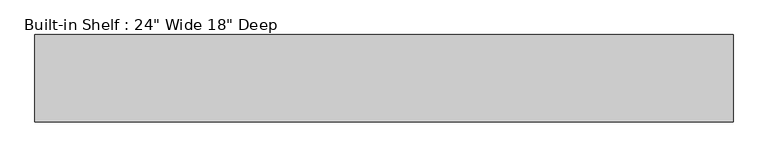
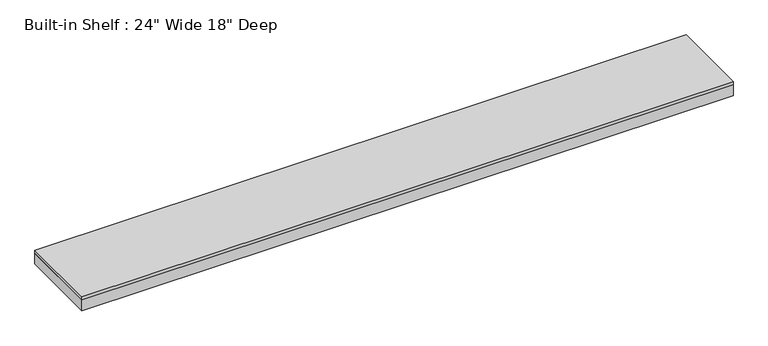
"""IFC4 building model written with IfcOpenShell, lengths in millimetres: furniture geometry."""

from ifc_helpers import new_model, si_unit, frame, origin, place, context, project, spatial, polyline, outline, extrude, source, transform, mapped, element, save


def furniture_37768dc7(model_context):
    return source(origin(), model_context, "Body", "SweptSolid", [
        extrude(outline(polyline([(1827.816057, 554.0375), (1827.816057, 96.8375), (-1827.816057, 96.8375), (-1827.816057, 554.0375), (1827.816057, 554.0375)])), frame((0.0, 0.0, 2114.55), z_axis=(0.0, 0.0, 1.0), x_axis=(1.0, 0.0, 0.0)), (0.0, 0.0, 1.0), 19.05),
        extrude(outline(polyline([(1827.816057, 96.8375), (-1827.816057, 96.8375), (-1827.816057, 554.0375), (-1808.766057, 554.0375), (-1808.766057, 115.8875), (1808.766057, 115.8875), (1808.766057, 554.0375), (1827.816057, 554.0375), (1827.816057, 96.8375)])), frame((0.0, 0.0, 2051.05), z_axis=(0.0, 0.0, 1.0), x_axis=(1.0, 0.0, 0.0)), (0.0, 0.0, 1.0), 63.5),
    ])


if __name__ == "__main__":
    model = new_model("IFC4")
    model_context = context("Model", 3, world=origin())
    ifc_project = project(units=[si_unit("LENGTHUNIT", "METRE", prefix="MILLI")], contexts=[model_context])
    site = spatial("IfcSite", under=ifc_project)
    building = spatial("IfcBuilding", under=site)
    placement = place(None, origin())
    furniture_shape = furniture_37768dc7(model_context)
    element("IfcFurniture", 1, ObjectType="Built-in Shelf : 24\" Wide 18\" Deep", at=placement, inside=building, context=model_context, shape_type="MappedRepresentation", body=[
        mapped(furniture_shape, transform((0.0, 0.0, 0.0), x_axis=(1.0, 0.0, 0.0), y_axis=(0.0, 1.0, 0.0), z_axis=(0.0, 0.0, 1.0))),
    ])
    save(model, "model.ifc")
